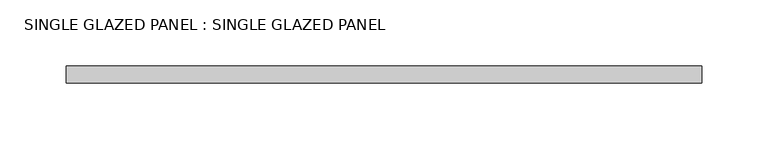
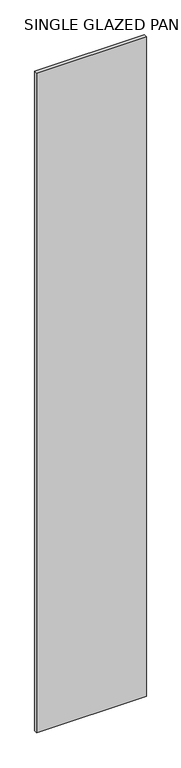
"""IFC4 building model written with IfcOpenShell, lengths in millimetres: plate geometry, SINGLE GLAZED PANEL : SINGLE GLAZED PANEL."""

from ifc_helpers import new_model, si_unit, origin, origin_with_axes, place, context, project, spatial, polyline, outline, extrude, source, transform, mapped, element, save


def single_glazed_panel_single_glazed_panel_18e20e0e(model_context):
    return source(origin(), model_context, "Body", "SweptSolid", [
        extrude(outline(polyline([(239.7125, 6.35), (239.7125, -6.35), (-239.7125, -6.35), (-239.7125, 6.35), (239.7125, 6.35)])), origin_with_axes(), (0.0, 0.0, 1.0), 3041.65),
    ])


if __name__ == "__main__":
    model = new_model("IFC4")
    model_context = context("Model", 3, world=origin())
    ifc_project = project(units=[si_unit("LENGTHUNIT", "METRE", prefix="MILLI")], contexts=[model_context])
    site = spatial("IfcSite", under=ifc_project)
    building = spatial("IfcBuilding", under=site)
    placement = place(None, origin())
    single_glazed_panel_single_glazed_panel_shape = single_glazed_panel_single_glazed_panel_18e20e0e(model_context)
    element("IfcPlate", 1, ObjectType="SINGLE GLAZED PANEL : SINGLE GLAZED PANEL", at=placement, inside=building, context=model_context, shape_type="MappedRepresentation", body=[
        mapped(single_glazed_panel_single_glazed_panel_shape, transform((0.0, 0.0, 0.0), x_axis=(1.0, 0.0, 0.0), y_axis=(0.0, 1.0, 0.0), z_axis=(0.0, 0.0, 1.0))),
    ])
    save(model, "model.ifc")
